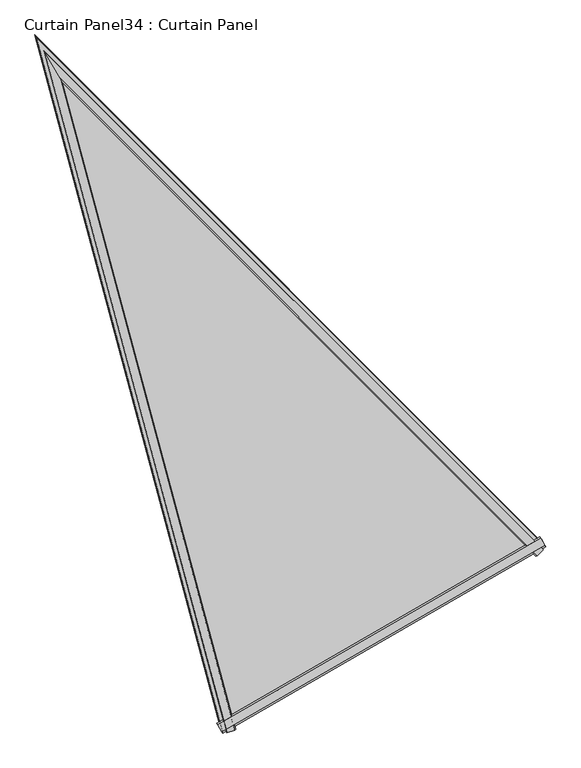
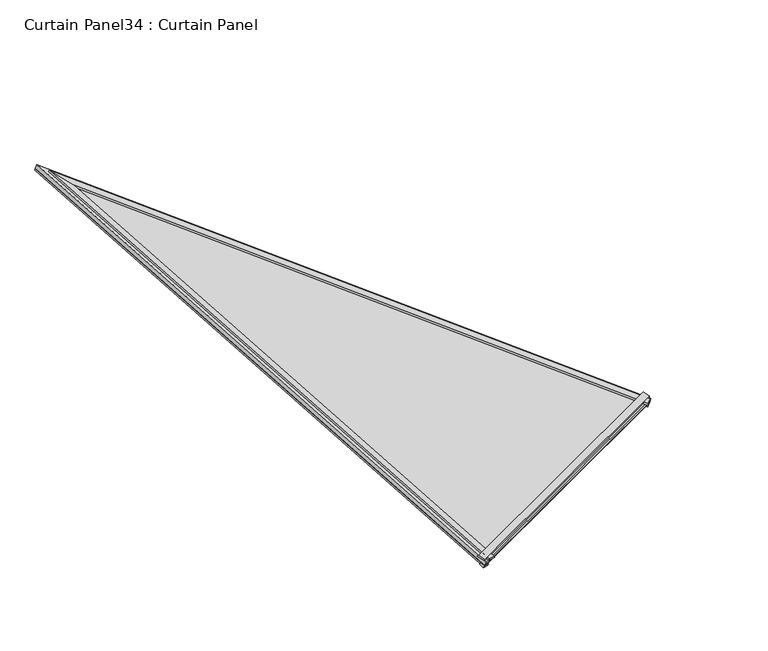
"""IFC4 building model written with IfcOpenShell, lengths in millimetres: plate geometry, Curtain Panel34 : Curtain Panel."""

from ifc_helpers import new_model, si_unit, frame, origin, place, context, project, spatial, polyline, outline, extrude, faceted_brep, source, transform, mapped, element, save


def curtain_panel34_curtain_panel_8f41e136(model_context):
    return source(origin(), model_context, "Body", "SolidModel", [
        extrude(outline(polyline([(22.6422787, -5.0153358), (22.7899089, -21.8199438), (17.9453215, -24.2908983), (17.9453216, -3.8636895), (22.6422787, -5.0153358)])), frame((-11802.0411474, -15153.8514072, 3557.6227117), z_axis=(0.8660254037844382, 0.5000000000000008, 0.0), x_axis=(0.13365358018178256, -0.23149479148832905, 0.9636113749942801)), (0.0, 0.0, 1.0), 756.4621619),
        extrude(outline(polyline([(0.1941446, -12.7796541), (-2.7614791, -2.1244288), (4.8972316, 0.0), (4.8972317, -13.7187059), (0.1941446, -12.7796541)])), frame((-11802.0411474, -15153.8514072, 3557.6227117), z_axis=(0.8660254037844382, 0.5000000000000008, 0.0), x_axis=(0.13365358018178256, -0.23149479148832905, 0.9636113749942801)), (0.0, 0.0, 1.0), 756.4621619),
        faceted_brep([(-11164.2877141, -14798.8598907, 3573.0708264), (-11150.4259532, -14785.4877171, 3574.3606768), (-11149.7872784, -14786.5939344, 3578.9653748), (-11161.6959317, -14798.0953394, 3577.8925111), (-12124.8875748, -13838.20283, 3937.0917642), (-11773.2380792, -15150.4203426, 3573.0749597), (-11791.7496017, -15155.7388929, 3574.3648102), (-12162.0939751, -13773.7594543, 3957.7339805), (-12161.4553002, -13774.8656717, 3962.3386785), (-12129.4729956, -13830.2606482, 3944.6332622), (-11775.1960912, -15152.2826164, 3577.8966444), (-11791.1109268, -15156.8451102, 3578.9695081)], [[[0, 1, 2, 3]], [[1, 0, 4, 5, 6, 7]], [[2, 1, 7, 8]], [[3, 2, 8, 9]], [[0, 3, 9, 4]], [[5, 10, 11, 6]], [[8, 7, 6, 11]], [[9, 8, 11, 10]], [[4, 9, 10, 5]]]),
        faceted_brep([(-11146.9708079, -14775.5262259, 3557.1897836), (-11146.2568012, -14776.7629218, 3562.3376065), (-11154.2313158, -14784.4557823, 3561.5955701), (-11155.0660649, -14783.6210332, 3557.1898688), (-12180.4232133, -13742.0122824, 3948.8183162), (-12179.7092067, -13743.2489783, 3953.9661391), (-11801.390072, -15154.9870868, 3562.3417398), (-11790.7406021, -15151.9273849, 3561.5997034), (-12158.3047845, -13780.322525, 3942.0909051), (-12158.3047166, -13780.3226426, 3937.3688484), (-11802.1040787, -15153.750391, 3557.1939169), (-11791.0461415, -15150.7870964, 3557.1940021)], [[[0, 1, 2, 3]], [[1, 0, 4, 5]], [[2, 1, 5, 6, 7, 8]], [[3, 2, 8, 9]], [[0, 3, 9, 4]], [[10, 11, 7, 6]], [[5, 4, 10, 6]], [[9, 8, 7, 11]], [[4, 9, 11, 10]]]),
        extrude(outline(polyline([(-16.9692471, 0.0), (-206.0656695, -732.4545206), (-1530.0784716, -1e-07), (-16.9692471, 0.0)])), frame((-11134.6778483, -14788.3425641, 3557.9497428), z_axis=(0.13365358018178258, -0.23149479148832908, 0.9636113749942801), x_axis=(0.6829920018679413, -0.68303267136431, -0.2588209713940445)), (0.0, 0.0, 1.0), 13.0480899),
    ])


if __name__ == "__main__":
    model = new_model("IFC4")
    model_context = context("Model", 3, world=origin())
    ifc_project = project(units=[si_unit("LENGTHUNIT", "METRE", prefix="MILLI")], contexts=[model_context])
    site = spatial("IfcSite", under=ifc_project)
    building = spatial("IfcBuilding", under=site)
    placement = place(None, origin())
    curtain_panel34_curtain_panel_shape = curtain_panel34_curtain_panel_8f41e136(model_context)
    element("IfcPlate", 1, ObjectType="Curtain Panel34 : Curtain Panel", at=placement, inside=building, context=model_context, shape_type="MappedRepresentation", body=[
        mapped(curtain_panel34_curtain_panel_shape, transform((0.0, 0.0, 0.0), x_axis=(1.0, 0.0, 0.0), y_axis=(0.0, 1.0, 0.0), z_axis=(0.0, 0.0, 1.0))),
    ])
    save(model, "model.ifc")
